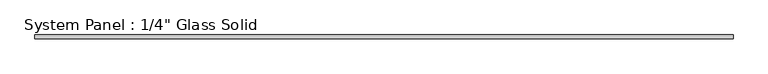
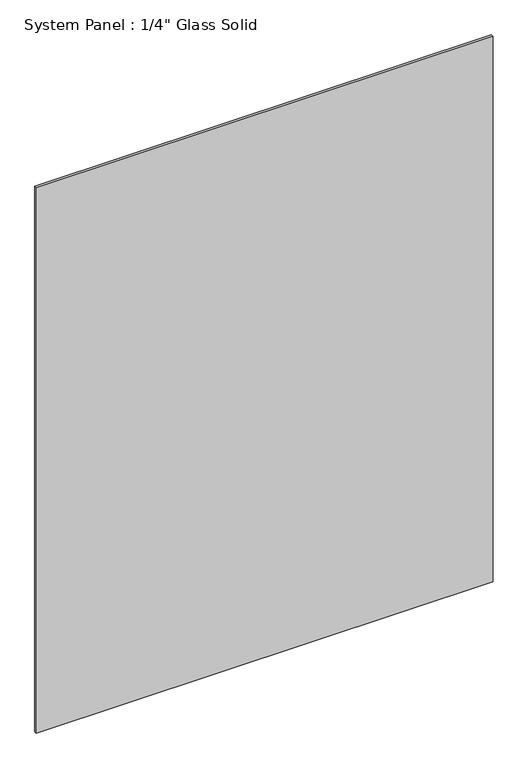
"""IFC4 building model written with IfcOpenShell, lengths in millimetres: plate geometry."""

from ifc_helpers import new_model, si_unit, origin, origin_with_axes, place, context, project, spatial, polyline, outline, extrude, source, transform, mapped, element, save


def plate_caa1e42f(model_context):
    return source(origin(), model_context, "Body", "SweptSolid", [
        extrude(outline(polyline([(561.3970691, -3.175), (-561.3970691, -3.175), (-561.3970691, 3.175), (561.3970691, 3.175), (561.3970691, -3.175)])), origin_with_axes(), (0.0, 0.0, 1.0), 1416.7991382),
    ])


if __name__ == "__main__":
    model = new_model("IFC4")
    model_context = context("Model", 3, world=origin())
    ifc_project = project(units=[si_unit("LENGTHUNIT", "METRE", prefix="MILLI")], contexts=[model_context])
    site = spatial("IfcSite", under=ifc_project)
    building = spatial("IfcBuilding", under=site)
    placement = place(None, origin())
    plate_shape = plate_caa1e42f(model_context)
    element("IfcPlate", 1, ObjectType="System Panel : 1/4\" Glass Solid", at=placement, inside=building, context=model_context, shape_type="MappedRepresentation", body=[
        mapped(plate_shape, transform((0.0, 0.0, 0.0), x_axis=(1.0, 0.0, 0.0), y_axis=(0.0, 1.0, 0.0), z_axis=(0.0, 0.0, 1.0))),
    ])
    save(model, "model.ifc")
